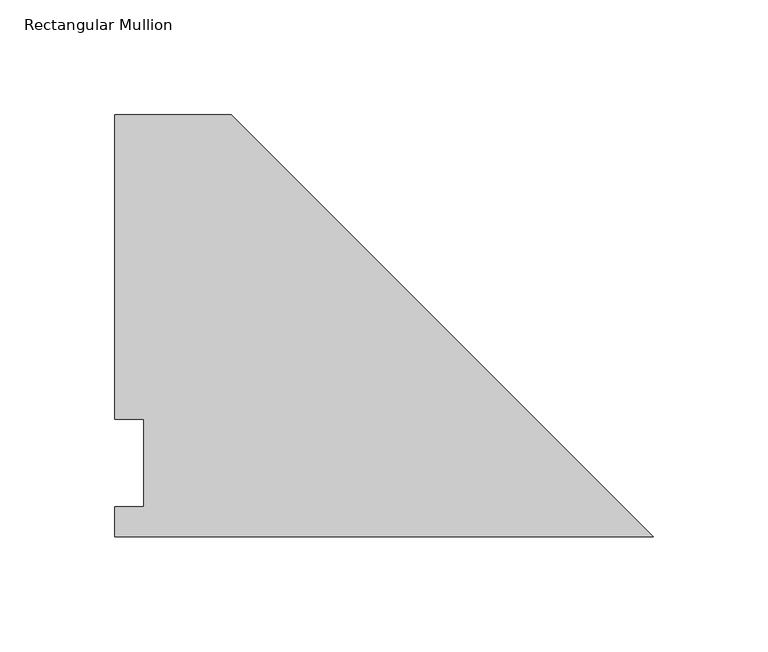
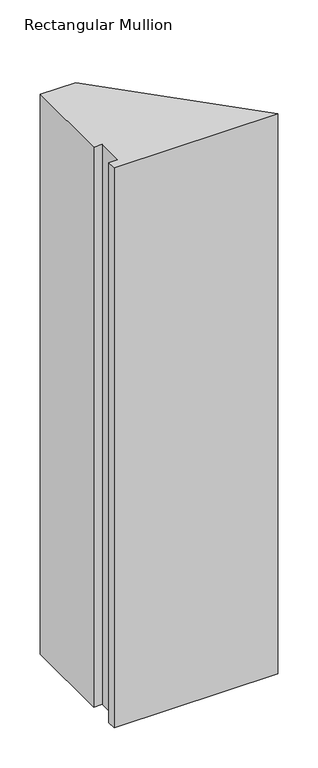
"""IFC4 building model written with IfcOpenShell, lengths in millimetres: member geometry, Rectangular Mullion."""

from ifc_helpers import new_model, si_unit, frame, origin, place, context, project, spatial, polyline, outline, extrude, source, transform, mapped, element, save


def rectangular_mullion_6ebc220d(model_context):
    return source(origin(), model_context, "Body", "SweptSolid", [
        extrude(outline(polyline([(-184.2262, 184.2396938), (0.0, 0.0134937), (-235.0262, 0.0134937), (-235.0262, 13.1960938), (-222.3262, 13.1960938), (-222.3262, 51.2960937), (-235.0262, 51.2960937), (-235.0262, 184.2396938), (-184.2262, 184.2396938)])), frame((0.0, 0.0, -850.9), z_axis=(0.0, 0.0, 1.0), x_axis=(1.0, 0.0, 0.0)), (0.0, 0.0, 1.0), 850.9),
    ])


if __name__ == "__main__":
    model = new_model("IFC4")
    model_context = context("Model", 3, world=origin())
    ifc_project = project(units=[si_unit("LENGTHUNIT", "METRE", prefix="MILLI")], contexts=[model_context])
    site = spatial("IfcSite", under=ifc_project)
    building = spatial("IfcBuilding", under=site)
    placement = place(None, origin())
    rectangular_mullion_shape = rectangular_mullion_6ebc220d(model_context)
    element("IfcMember", 1, ObjectType="Rectangular Mullion", at=placement, inside=building, context=model_context, shape_type="MappedRepresentation", body=[
        mapped(rectangular_mullion_shape, transform((0.0, 0.0, 0.0), x_axis=(1.0, 0.0, 0.0), y_axis=(0.0, 1.0, 0.0), z_axis=(0.0, 0.0, 1.0))),
    ])
    save(model, "model.ifc")
